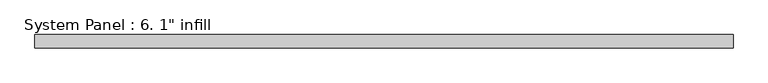
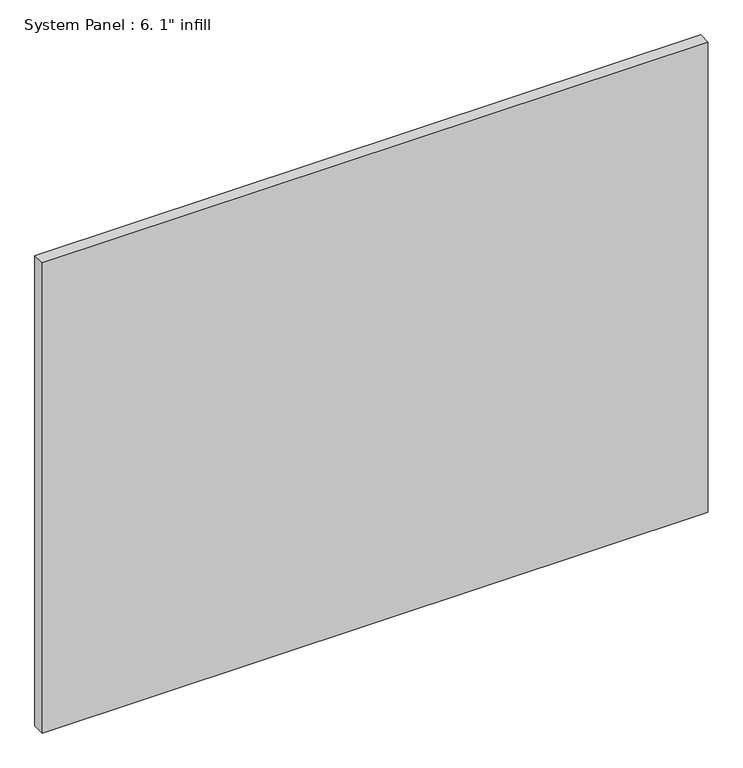
"""IFC4 building model written with IfcOpenShell, lengths in millimetres: plate geometry."""

import ifcopenshell
import ifcopenshell.guid

model = None  # the IFC model being written
_history = None  # IfcOwnerHistory: only IFC2X3 demands one
_inside = {}  # id of a spatial element -> (the spatial element, [elements in it])
_under = {}  # id of a project, library or spatial element -> (it, [spatial elements below it])
_declared = {}  # id of a project -> (the project, [libraries it declares])
_typed = {}  # id of a type object -> (the type object, [elements of that type])
_made_of = {}  # id of a material, layer set ... -> (it, [elements and type objects made of it])


def new_model(schema):
    """Start an empty IFC model of exactly this schema.

    Asked for "IFC4X3", IfcOpenShell would pick the latest addendum, in which some entities
    have other attributes; the version numbers below select the first issue.
    IFC2X3 requires an IfcOwnerHistory on every rooted entity: one is made here for all.
    """
    global model, _history
    if schema == "IFC4X3":
        model = ifcopenshell.file(schema_version=(4, 3, 0, 0))
    else:
        model = ifcopenshell.file(schema=schema)
    _inside.clear()
    _under.clear()
    _declared.clear()
    _typed.clear()
    _made_of.clear()
    _history = None
    if model.schema == "IFC2X3":
        org = make("IfcOrganization", Name="unknown")
        user = make(
            "IfcPersonAndOrganization",
            ThePerson=make("IfcPerson", FamilyName="unknown"),
            TheOrganization=org,
        )
        app = make(
            "IfcApplication",
            ApplicationDeveloper=org,
            Version="unknown",
            ApplicationFullName="unknown",
            ApplicationIdentifier="unknown",
        )
        _history = make(
            "IfcOwnerHistory",
            OwningUser=user,
            OwningApplication=app,
            ChangeAction="ADDED",
            CreationDate=0,
        )
    return model


def make(cls, **values):
    """One entity of the class cls with the attributes given. An attribute that is None is left unset."""
    return model.create_entity(
        cls, **{name: value for name, value in values.items() if value is not None}
    )


def rooted(cls, **values):
    """An entity with a GlobalId (a new one), such as an element, a storey or a relation."""
    return make(cls, GlobalId=ifcopenshell.guid.new(), OwnerHistory=_history, **values)


def si_unit(unit_type, name, prefix=None):
    """IfcSIUnit, for example si_unit("LENGTHUNIT", "METRE", prefix="MILLI")."""
    return make("IfcSIUnit", UnitType=unit_type, Prefix=prefix, Name=name)


def assignment(units):
    """IfcUnitAssignment: the units of a project."""
    return None if units is None else make("IfcUnitAssignment", Units=units)


def point(xyz):
    """IfcCartesianPoint."""
    return None if xyz is None else make("IfcCartesianPoint", Coordinates=xyz)


def direction(xyz):
    """IfcDirection."""
    return None if xyz is None else make("IfcDirection", DirectionRatios=xyz)


def frame(location, z_axis=None, x_axis=None):
    """IfcAxis2Placement3D, a coordinate frame: its origin and axes. An axis left out is left unset."""
    return make(
        "IfcAxis2Placement3D",
        Location=point(location),
        Axis=direction(z_axis),
        RefDirection=direction(x_axis),
    )


def origin():
    """The frame at (0, 0, 0) with its axes left unset."""
    return frame((0.0, 0.0, 0.0))


def origin_with_axes():
    """The frame at (0, 0, 0) with the z axis (0, 0, 1) and the x axis (1, 0, 0) written out."""
    return frame((0.0, 0.0, 0.0), z_axis=(0.0, 0.0, 1.0), x_axis=(1.0, 0.0, 0.0))


def place(relative_to, where):
    """IfcLocalPlacement: puts the frame where relative to a parent placement (None: the world)."""
    return make(
        "IfcLocalPlacement", PlacementRelTo=relative_to, RelativePlacement=where
    )


def context(
    kind, dimensions, precision=None, world=None, true_north=None, identifier=None
):
    """IfcGeometricRepresentationContext, for example the 3D "Model" context."""
    return make(
        "IfcGeometricRepresentationContext",
        ContextIdentifier=identifier,
        ContextType=kind,
        CoordinateSpaceDimension=dimensions,
        Precision=precision,
        WorldCoordinateSystem=world,
        TrueNorth=true_north,
    )


def project(units=None, contexts=None):
    """IfcProject with its units and contexts."""
    return rooted(
        "IfcProject",
        Name="project",
        RepresentationContexts=contexts,
        UnitsInContext=assignment(units),
    )


def spatial(cls, under=None, at=None, **own):
    """A site, building, storey or space (cls), placed at a placement, below another one or the project."""
    s = rooted(cls, ObjectPlacement=at, **own)
    if under is not None:
        _under.setdefault(under.id(), (under, []))[1].append(s)
    return s


def polyline(points):
    """IfcPolyline through the points."""
    return make("IfcPolyline", Points=[point(p) for p in points])


def outline(outer, holes=None, kind="AREA"):
    """IfcArbitraryClosedProfileDef: a profile drawn as a closed curve; with holes, ...WithVoids."""
    if holes is None:
        return make("IfcArbitraryClosedProfileDef", ProfileType=kind, OuterCurve=outer)
    return make(
        "IfcArbitraryProfileDefWithVoids",
        ProfileType=kind,
        OuterCurve=outer,
        InnerCurves=holes,
    )


def extrude(swept, where, along, depth):
    """IfcExtrudedAreaSolid: the profile swept, set in the frame where, extruded along a direction by depth."""
    return make(
        "IfcExtrudedAreaSolid",
        SweptArea=swept,
        Position=where,
        ExtrudedDirection=direction(along),
        Depth=depth,
    )


def shape(context_of_items, identifier, shape_type, items):
    """IfcShapeRepresentation: the items that make up one representation, for example the "Body"."""
    return make(
        "IfcShapeRepresentation",
        ContextOfItems=context_of_items,
        RepresentationIdentifier=identifier,
        RepresentationType=shape_type,
        Items=items,
    )


def source(mapping_origin, context_of_items, identifier, shape_type, items):
    """IfcRepresentationMap: a shape defined once, which mapped items show again and again."""
    return make(
        "IfcRepresentationMap",
        MappingOrigin=mapping_origin,
        MappedRepresentation=shape(context_of_items, identifier, shape_type, items),
    )


def transform(
    local_origin,
    x_axis=None,
    y_axis=None,
    z_axis=None,
    scale=None,
    scale2=None,
    scale3=None,
    uniform=True,
):
    """IfcCartesianTransformationOperator3D, or its non-uniform kind. x_axis, y_axis, z_axis: its Axis1, 2, 3."""
    if uniform:
        return make(
            "IfcCartesianTransformationOperator3D",
            Axis1=direction(x_axis),
            Axis2=direction(y_axis),
            LocalOrigin=point(local_origin),
            Scale=scale,
            Axis3=direction(z_axis),
        )
    return make(
        "IfcCartesianTransformationOperator3DnonUniform",
        Axis1=direction(x_axis),
        Axis2=direction(y_axis),
        LocalOrigin=point(local_origin),
        Scale=scale,
        Axis3=direction(z_axis),
        Scale2=scale2,
        Scale3=scale3,
    )


def mapped(mapping_source, mapping_target):
    """IfcMappedItem: shows the shape of a source again, moved by a transform."""
    return make(
        "IfcMappedItem", MappingSource=mapping_source, MappingTarget=mapping_target
    )


def made_of(thing, what):
    """Note that an element or type object is made of a material, layer set ...; save() writes the relation."""
    if what is not None:
        _made_of.setdefault(what.id(), (what, []))[1].append(thing)
    return thing


def element(
    cls,
    number,
    at=None,
    inside=None,
    cuts=None,
    type_object=None,
    material=None,
    context=None,
    identifier="Body",
    shape_type=None,
    held_by="IfcProductDefinitionShape",
    body=None,
    shapes=None,
    **own,
):
    """One element of the class cls, such as IfcWall. Its Tag is "e" and its number.

    at: its placement. inside: the storey or other place that contains it. cuts: it is an
    opening in that element (IfcRelVoidsElement). A single representation is given by context,
    identifier, shape_type and body (its items); several are given by shapes. held_by: the class
    of the entity that holds the representations. save() writes the other relations.
    """
    e = rooted(cls, Tag="e%d" % number, ObjectPlacement=at, **own)
    if body is not None:
        shapes = [shape(context, identifier, shape_type, body)]
    if shapes is not None:
        e.Representation = make(held_by, Representations=shapes)
    if inside is not None:
        _inside.setdefault(inside.id(), (inside, []))[1].append(e)
    if cuts is not None:
        rooted(
            "IfcRelVoidsElement", RelatingBuildingElement=cuts, RelatedOpeningElement=e
        )
    if type_object is not None:
        _typed.setdefault(type_object.id(), (type_object, []))[1].append(e)
    return made_of(e, material)


def aggregate(whole, parts):
    """IfcRelAggregates: a whole, such as a stair, and the parts it consists of."""
    return rooted("IfcRelAggregates", RelatingObject=whole, RelatedObjects=parts)


def save(model, path):
    """Write the relations noted so far, then the file.

    IfcRelAggregates (storeys below a building ...), IfcRelContainedInSpatialStructure (elements
    in a storey), IfcRelDefinesByType, IfcRelAssociatesMaterial and IfcRelDeclares: one each for
    every whole, place, type object, material and project.
    """
    for whole, parts in _under.values():
        aggregate(whole, parts)
    for where, things in _inside.values():
        rooted(
            "IfcRelContainedInSpatialStructure",
            RelatedElements=things,
            RelatingStructure=where,
        )
    for kind, things in _typed.values():
        rooted("IfcRelDefinesByType", RelatedObjects=things, RelatingType=kind)
    for what, things in _made_of.values():
        rooted("IfcRelAssociatesMaterial", RelatedObjects=things, RelatingMaterial=what)
    for by, libraries in _declared.values():
        rooted("IfcRelDeclares", RelatingContext=by, RelatedDefinitions=libraries)
    model.write(path)


def plate_29d26789(model_context):
    return source(origin(), model_context, "Body", "SweptSolid", [
        extrude(outline(polyline([(669.925, -12.7), (-669.925, -12.7), (-669.925, 12.7), (669.925, 12.7), (669.925, -12.7)])), origin_with_axes(), (0.0, 0.0, 1.0), 999.8478403),
    ])


if __name__ == "__main__":
    model = new_model("IFC4")
    model_context = context("Model", 3, world=origin())
    ifc_project = project(units=[si_unit("LENGTHUNIT", "METRE", prefix="MILLI")], contexts=[model_context])
    site = spatial("IfcSite", under=ifc_project)
    building = spatial("IfcBuilding", under=site)
    placement = place(None, origin())
    plate_shape = plate_29d26789(model_context)
    element("IfcPlate", 1, ObjectType="System Panel : 6. 1\" infill", at=placement, inside=building, context=model_context, shape_type="MappedRepresentation", body=[
        mapped(plate_shape, transform((0.0, 0.0, 0.0), x_axis=(1.0, 0.0, 0.0), y_axis=(0.0, 1.0, 0.0), z_axis=(0.0, 0.0, 1.0))),
    ])
    save(model, "model.ifc")
